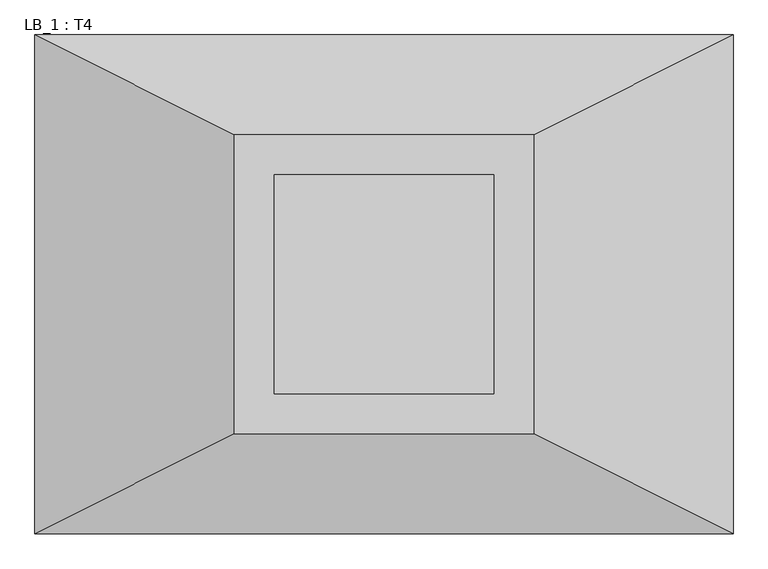
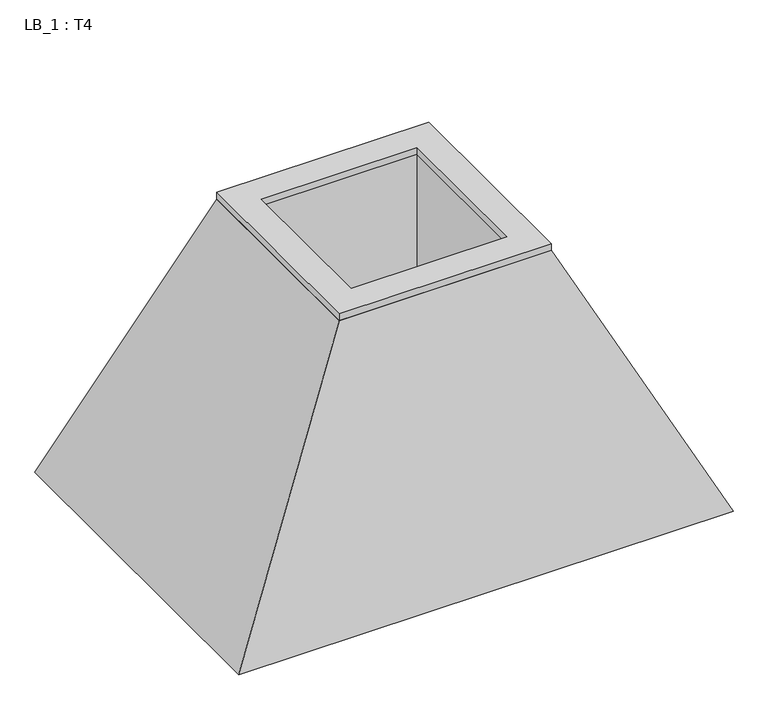
"""IFC4 building model written with IfcOpenShell, lengths in millimetres: proxy geometry, LB_1 : T4."""

from ifc_helpers import new_model, si_unit, frame, origin, place, context, project, spatial, polyline, outline, extrude, faceted_brep, source, transform, mapped, element, save


def lb_1_t4_317d5d2e(model_context):
    return source(origin(), model_context, "Body", "SolidModel", [
        extrude(outline(polyline([(750.0, 750.0), (750.0, -750.0), (-750.0, -750.0), (-750.0, 750.0), (750.0, 750.0)]), holes=[polyline([(550.0, 550.0), (-550.0, 550.0), (-550.0, -550.0), (550.0, -550.0), (550.0, 550.0)])]), frame((0.0, 0.0, 2000.0), z_axis=(0.0, 0.0, 1.0), x_axis=(1.0, 0.0, 0.0)), (0.0, 0.0, 1.0), 50.0),
        faceted_brep([(750.0, 750.0, 2000.0), (-750.0, 750.0, 2000.0), (-750.0, -750.0, 2000.0), (750.0, -750.0, 2000.0), (-550.0, 550.0, 2000.0), (550.0, 550.0, 2000.0), (550.0, -550.0, 2000.0), (-550.0, -550.0, 2000.0), (1750.0, 1250.0, 0.0), (1750.0, -1250.0, 0.0), (-1750.0, -1250.0, 0.0), (-1750.0, 1250.0, 0.0), (550.0, 550.0, 1000.0), (-550.0, 550.0, 1000.0), (-550.0, -550.0, 1000.0), (550.0, -550.0, 1000.0)], [[[0, 1, 2, 3], [4, 5, 6, 7]], [[8, 9, 10, 11]], [[1, 0, 8, 11]], [[2, 1, 11, 10]], [[3, 2, 10, 9]], [[0, 3, 9, 8]], [[12, 13, 14, 15]], [[13, 12, 5, 4]], [[14, 13, 4, 7]], [[15, 14, 7, 6]], [[12, 15, 6, 5]]]),
    ])


if __name__ == "__main__":
    model = new_model("IFC4")
    model_context = context("Model", 3, world=origin())
    ifc_project = project(units=[si_unit("LENGTHUNIT", "METRE", prefix="MILLI")], contexts=[model_context])
    site = spatial("IfcSite", under=ifc_project)
    building = spatial("IfcBuilding", under=site)
    placement = place(None, origin())
    lb_1_t4_shape = lb_1_t4_317d5d2e(model_context)
    element("IfcBuildingElementProxy", 1, Name="LB_1 : T4", ObjectType="LB_1 : T4", at=placement, inside=building, context=model_context, shape_type="MappedRepresentation", body=[
        mapped(lb_1_t4_shape, transform((0.0, 0.0, 0.0), x_axis=(1.0, 0.0, 0.0), y_axis=(0.0, 1.0, 0.0), z_axis=(0.0, 0.0, 1.0))),
    ])
    save(model, "model.ifc")
